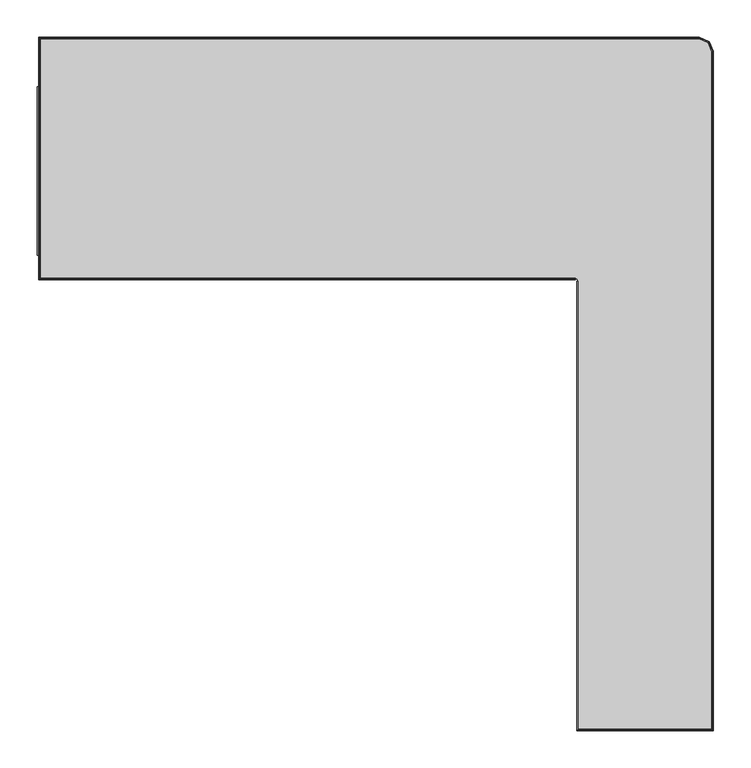
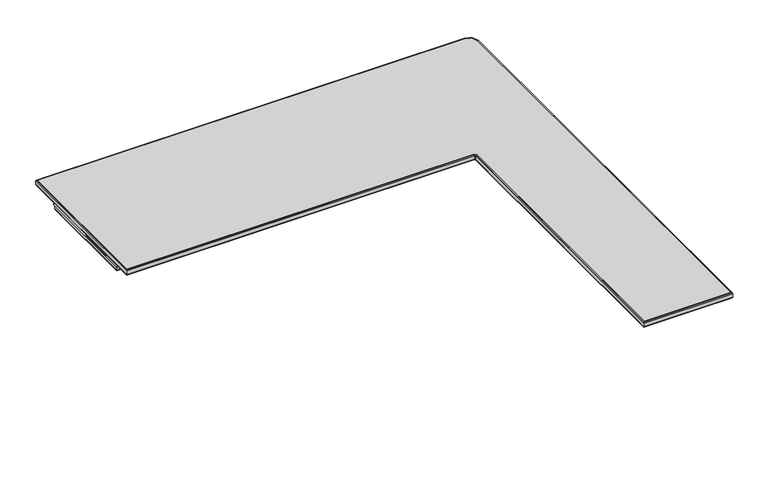
"""IFC4 building model written with IfcOpenShell, lengths in millimetres: furniture geometry."""

from ifc_helpers import new_model, si_unit, frame, origin, place, context, project, spatial, polyline, outline, extrude, faceted_brep, source, transform, mapped, element, save


def furniture_1e4f2d9d(model_context):
    return source(origin(), model_context, "Body", "SolidModel", [
        faceted_brep([(718.8100006, -251.5041979, 1064.7999767), (719.3957933, -251.5041979, 1066.2142073), (720.8100239, -251.5041979, 1066.8), (720.8100239, -251.5041979, 1054.8000057), (719.3957933, -251.5041979, 1055.3857985), (718.8100006, -251.5041979, 1056.800029), (718.8100006, -851.8242411, 1064.7999767), (719.3957933, -851.2384483, 1066.2142073), (720.8100239, -849.8242178, 1066.8), (720.8100239, -849.8242178, 1054.8000057), (719.3957933, -851.2384483, 1055.3857985), (718.8100006, -851.8242411, 1056.800029), (901.7, -851.8242411, 1064.7999767), (901.1142073, -851.2384483, 1066.2142073), (899.6999767, -849.8242178, 1066.8), (899.6999767, -849.8242178, 1054.8000057), (901.1142073, -851.2384483, 1055.3857985), (901.7, -851.8242411, 1056.800029), (901.7, 55.6936259, 1064.7999767), (901.1142073, 55.577105, 1066.2142073), (899.6999767, 55.2957981, 1066.8), (899.6999767, 55.2957981, 1054.8000057), (901.1142073, 55.577105, 1055.3857985), (901.7, 55.6936259, 1056.800029), (896.2369215, 68.8827215, 1064.7999767), (895.7885746, 68.4343754, 1066.2142073), (894.7061682, 67.3519709, 1066.8), (894.7061682, 67.3519709, 1054.8000057), (895.7885746, 68.4343754, 1055.3857985), (896.2369215, 68.8827215, 1056.800029), (883.0478405, 74.3458208, 1064.7999767), (882.9313191, 73.7600281, 1066.2142073), (882.650011, 72.3457976, 1066.8), (882.650011, 72.3457976, 1054.8000057), (882.9313191, 73.7600281, 1055.3857985), (883.0478405, 74.3458208, 1056.800029), (-0.2540273, 74.3458208, 1064.7999767), (0.3317655, 73.7600281, 1066.2142073), (1.745996, 72.3457976, 1066.8), (1.745996, 72.3457976, 1054.8000057), (0.3317655, 73.7600281, 1055.3857985), (-0.2540273, 74.3458208, 1056.800029), (-0.2540273, -249.5042291, 1064.7999767), (0.3317655, -248.9184364, 1066.2142073), (1.745996, -247.5042058, 1066.8), (1.745996, -247.5042058, 1054.8000057), (0.3317655, -248.9184364, 1055.3857985), (-0.2540273, -249.5042291, 1056.800029), (716.8099773, -249.5042291, 1064.7999767), (716.8099773, -249.5042291, 1056.800029), (716.8099773, -248.9184364, 1055.3857985), (716.8099773, -247.5042058, 1054.8000057), (716.8099773, -247.5042058, 1066.8030114), (716.8099773, -248.9184364, 1066.2142073)], [[[0, 1, 2, 3, 4, 5]], [[1, 0, 6, 7]], [[2, 1, 7, 8]], [[3, 2, 8, 9]], [[4, 3, 9, 10]], [[5, 4, 10, 11]], [[0, 5, 11, 6]], [[7, 6, 12, 13]], [[8, 7, 13, 14]], [[9, 8, 14, 15]], [[10, 9, 15, 16]], [[11, 10, 16, 17]], [[6, 11, 17, 12]], [[13, 12, 18, 19]], [[14, 13, 19, 20]], [[15, 14, 20, 21]], [[16, 15, 21, 22]], [[17, 16, 22, 23]], [[12, 17, 23, 18]], [[19, 18, 24, 25]], [[20, 19, 25, 26]], [[21, 20, 26, 27]], [[22, 21, 27, 28]], [[23, 22, 28, 29]], [[18, 23, 29, 24]], [[25, 24, 30, 31]], [[26, 25, 31, 32]], [[27, 26, 32, 33]], [[28, 27, 33, 34]], [[29, 28, 34, 35]], [[24, 29, 35, 30]], [[31, 30, 36, 37]], [[32, 31, 37, 38]], [[33, 32, 38, 39]], [[34, 33, 39, 40]], [[35, 34, 40, 41]], [[30, 35, 41, 36]], [[37, 36, 42, 43]], [[38, 37, 43, 44]], [[39, 38, 44, 45]], [[40, 39, 45, 46]], [[41, 40, 46, 47]], [[36, 41, 47, 42]], [[48, 49, 50, 51, 52, 53]], [[43, 42, 48, 53]], [[44, 43, 53, 52]], [[45, 44, 52, 51]], [[46, 45, 51, 50]], [[47, 46, 50, 49]], [[42, 47, 49, 48]]]),
        extrude(outline(polyline([(1.84, 4.2258001), (846.580036, 4.2258001), (846.580036, -824.3592024), (755.8099951, -824.3592024), (755.8099951, -216.5042085), (754.6384096, -213.6757656), (751.8100212, -212.5041983), (1.84, -212.5041983), (1.84, 4.2258001)])), frame((0.0, 0.0, 1042.8000114), z_axis=(0.0, 0.0, 1.0), x_axis=(1.0, 0.0, 0.0)), (0.0, 0.0, 1.0), 11.9999943),
        extrude(outline(polyline([(882.650011, 72.3457976), (894.7061682, 67.3519709), (899.6999767, 55.2957981), (899.6999767, -849.8242178), (720.8100239, -849.8242178), (720.8100239, -251.5041979), (719.6384384, -248.6757731), (716.8099773, -247.5042058), (1.745996, -247.5042058), (1.745996, 72.3457976), (882.650011, 72.3457976)])), frame((0.0, 0.0, 1054.8000057), z_axis=(0.0, 0.0, 1.0), x_axis=(1.0, 0.0, 0.0)), (0.0, 0.0, 1.0), 12.0030057),
        faceted_brep([(754.3958372, -216.5042085, 1043.3858042), (753.8100445, -216.5042085, 1044.799962), (753.8100445, -216.5042085, 1052.7999825), (753.2242517, -216.5042085, 1054.214213), (751.8100212, -216.5042085, 1054.8000057), (755.8099951, -216.5042085, 1054.8000057), (755.8099951, -216.5042085, 1042.8000114), (754.3958372, -825.7733603, 1043.3858042), (753.8100445, -826.359153, 1044.799962), (753.8100445, -826.359153, 1052.7999825), (753.2242517, -826.9449457, 1054.214213), (751.8100212, -828.3591763, 1054.8000057), (850.5800098, -828.3591763, 1054.8000057), (850.5800098, 8.225774, 1054.8000057), (-2.1599739, 8.225774, 1054.8000057), (-2.1599739, -216.5041722, 1054.8000057), (751.8100212, -216.5041722, 1054.8000057), (751.8100212, -212.5041983, 1054.8000057), (1.84, -212.5041983, 1054.8000057), (1.84, 4.2258001, 1054.8000057), (846.580036, 4.2258001, 1054.8000057), (846.580036, -824.3592024, 1054.8000057), (755.8099951, -824.3592024, 1054.8000057), (755.8099951, -824.3592024, 1042.8000114), (847.9941938, -825.7733603, 1043.3858042), (848.5799866, -826.359153, 1044.799962), (848.5799866, -826.359153, 1052.7999825), (849.1657793, -826.9449457, 1054.214213), (846.580036, -824.3592024, 1042.8000114), (847.9941938, 5.639958, 1043.3858042), (848.5799866, 6.2257507, 1044.799962), (848.5799866, 6.2257507, 1052.7999825), (849.1657793, 6.8115434, 1054.214213), (846.580036, 4.2258001, 1042.8000114), (0.4258421, 5.639958, 1043.3858042), (-0.1599506, 6.2257507, 1044.799962), (-0.1599506, 6.2257507, 1052.7999825), (-0.7457433, 6.8115434, 1054.214213), (1.84, 4.2258001, 1042.8000114), (0.4258421, -213.9183562, 1043.3858042), (-0.1599506, -214.5041489, 1044.799962), (-0.1599506, -214.5041489, 1052.7999825), (-0.7457433, -215.0899416, 1054.214213), (1.84, -212.5041983, 1042.8000114), (751.8100212, -213.9183562, 1043.3858042), (751.8100212, -212.5041983, 1042.8000114), (751.8100212, -215.0899416, 1054.214213), (751.8100212, -214.5041489, 1052.7999825), (751.8100212, -214.5041489, 1044.799962)], [[[0, 1, 2, 3, 4, 5, 6]], [[1, 0, 7, 8]], [[2, 1, 8, 9]], [[3, 2, 9, 10]], [[4, 3, 10, 11]], [[5, 4, 11, 12, 13, 14, 15, 16, 17, 18, 19, 20, 21, 22]], [[6, 5, 22, 23]], [[0, 6, 23, 7]], [[8, 7, 24, 25]], [[9, 8, 25, 26]], [[10, 9, 26, 27]], [[11, 10, 27, 12]], [[23, 22, 21, 28]], [[7, 23, 28, 24]], [[25, 24, 29, 30]], [[26, 25, 30, 31]], [[27, 26, 31, 32]], [[12, 27, 32, 13]], [[28, 21, 20, 33]], [[24, 28, 33, 29]], [[30, 29, 34, 35]], [[31, 30, 35, 36]], [[32, 31, 36, 37]], [[13, 32, 37, 14]], [[33, 20, 19, 38]], [[29, 33, 38, 34]], [[35, 34, 39, 40]], [[36, 35, 40, 41]], [[37, 36, 41, 42]], [[14, 37, 42, 15]], [[38, 19, 18, 43]], [[34, 38, 43, 39]], [[44, 45, 17, 16, 46, 47, 48]], [[40, 39, 44, 48]], [[41, 40, 48, 47]], [[42, 41, 47, 46]], [[15, 42, 46, 16]], [[43, 18, 17, 45]], [[39, 43, 45, 44]]]),
    ])


if __name__ == "__main__":
    model = new_model("IFC4")
    model_context = context("Model", 3, world=origin())
    ifc_project = project(units=[si_unit("LENGTHUNIT", "METRE", prefix="MILLI")], contexts=[model_context])
    site = spatial("IfcSite", under=ifc_project)
    building = spatial("IfcBuilding", under=site)
    placement = place(None, origin())
    furniture_shape = furniture_1e4f2d9d(model_context)
    element("IfcFurniture", 1, at=placement, inside=building, context=model_context, shape_type="MappedRepresentation", body=[
        mapped(furniture_shape, transform((0.0, 0.0, 0.0), x_axis=(1.0, 0.0, 0.0), y_axis=(0.0, 1.0, 0.0), z_axis=(0.0, 0.0, 1.0))),
    ])
    save(model, "model.ifc")
